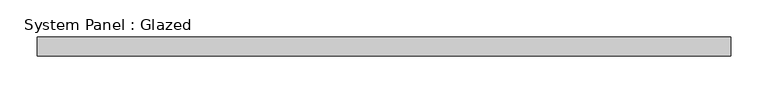
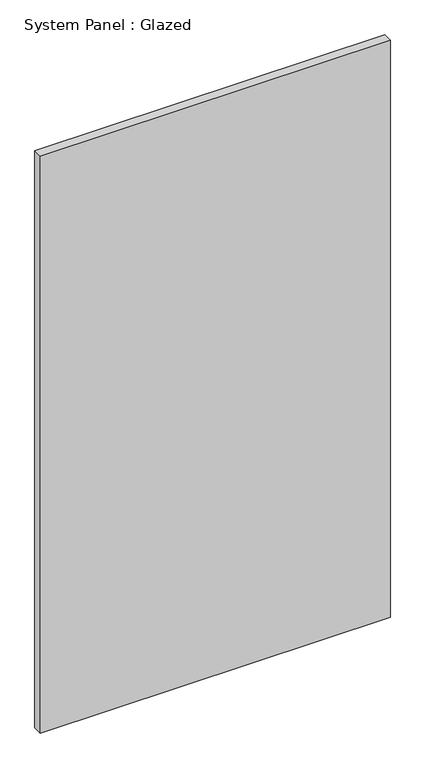
"""IFC4 building model written with IfcOpenShell, lengths in millimetres: plate geometry, System Panel : Glazed."""

import ifcopenshell
import ifcopenshell.guid

model = None  # the IFC model being written
_history = None  # IfcOwnerHistory: only IFC2X3 demands one
_inside = {}  # id of a spatial element -> (the spatial element, [elements in it])
_under = {}  # id of a project, library or spatial element -> (it, [spatial elements below it])
_declared = {}  # id of a project -> (the project, [libraries it declares])
_typed = {}  # id of a type object -> (the type object, [elements of that type])
_made_of = {}  # id of a material, layer set ... -> (it, [elements and type objects made of it])


def new_model(schema):
    """Start an empty IFC model of exactly this schema.

    Asked for "IFC4X3", IfcOpenShell would pick the latest addendum, in which some entities
    have other attributes; the version numbers below select the first issue.
    IFC2X3 requires an IfcOwnerHistory on every rooted entity: one is made here for all.
    """
    global model, _history
    if schema == "IFC4X3":
        model = ifcopenshell.file(schema_version=(4, 3, 0, 0))
    else:
        model = ifcopenshell.file(schema=schema)
    _inside.clear()
    _under.clear()
    _declared.clear()
    _typed.clear()
    _made_of.clear()
    _history = None
    if model.schema == "IFC2X3":
        org = make("IfcOrganization", Name="unknown")
        user = make(
            "IfcPersonAndOrganization",
            ThePerson=make("IfcPerson", FamilyName="unknown"),
            TheOrganization=org,
        )
        app = make(
            "IfcApplication",
            ApplicationDeveloper=org,
            Version="unknown",
            ApplicationFullName="unknown",
            ApplicationIdentifier="unknown",
        )
        _history = make(
            "IfcOwnerHistory",
            OwningUser=user,
            OwningApplication=app,
            ChangeAction="ADDED",
            CreationDate=0,
        )
    return model


def make(cls, **values):
    """One entity of the class cls with the attributes given. An attribute that is None is left unset."""
    return model.create_entity(
        cls, **{name: value for name, value in values.items() if value is not None}
    )


def rooted(cls, **values):
    """An entity with a GlobalId (a new one), such as an element, a storey or a relation."""
    return make(cls, GlobalId=ifcopenshell.guid.new(), OwnerHistory=_history, **values)


def si_unit(unit_type, name, prefix=None):
    """IfcSIUnit, for example si_unit("LENGTHUNIT", "METRE", prefix="MILLI")."""
    return make("IfcSIUnit", UnitType=unit_type, Prefix=prefix, Name=name)


def assignment(units):
    """IfcUnitAssignment: the units of a project."""
    return None if units is None else make("IfcUnitAssignment", Units=units)


def point(xyz):
    """IfcCartesianPoint."""
    return None if xyz is None else make("IfcCartesianPoint", Coordinates=xyz)


def direction(xyz):
    """IfcDirection."""
    return None if xyz is None else make("IfcDirection", DirectionRatios=xyz)


def frame(location, z_axis=None, x_axis=None):
    """IfcAxis2Placement3D, a coordinate frame: its origin and axes. An axis left out is left unset."""
    return make(
        "IfcAxis2Placement3D",
        Location=point(location),
        Axis=direction(z_axis),
        RefDirection=direction(x_axis),
    )


def origin():
    """The frame at (0, 0, 0) with its axes left unset."""
    return frame((0.0, 0.0, 0.0))


def origin_with_axes():
    """The frame at (0, 0, 0) with the z axis (0, 0, 1) and the x axis (1, 0, 0) written out."""
    return frame((0.0, 0.0, 0.0), z_axis=(0.0, 0.0, 1.0), x_axis=(1.0, 0.0, 0.0))


def place(relative_to, where):
    """IfcLocalPlacement: puts the frame where relative to a parent placement (None: the world)."""
    return make(
        "IfcLocalPlacement", PlacementRelTo=relative_to, RelativePlacement=where
    )


def context(
    kind, dimensions, precision=None, world=None, true_north=None, identifier=None
):
    """IfcGeometricRepresentationContext, for example the 3D "Model" context."""
    return make(
        "IfcGeometricRepresentationContext",
        ContextIdentifier=identifier,
        ContextType=kind,
        CoordinateSpaceDimension=dimensions,
        Precision=precision,
        WorldCoordinateSystem=world,
        TrueNorth=true_north,
    )


def project(units=None, contexts=None):
    """IfcProject with its units and contexts."""
    return rooted(
        "IfcProject",
        Name="project",
        RepresentationContexts=contexts,
        UnitsInContext=assignment(units),
    )


def spatial(cls, under=None, at=None, **own):
    """A site, building, storey or space (cls), placed at a placement, below another one or the project."""
    s = rooted(cls, ObjectPlacement=at, **own)
    if under is not None:
        _under.setdefault(under.id(), (under, []))[1].append(s)
    return s


def polyline(points):
    """IfcPolyline through the points."""
    return make("IfcPolyline", Points=[point(p) for p in points])


def outline(outer, holes=None, kind="AREA"):
    """IfcArbitraryClosedProfileDef: a profile drawn as a closed curve; with holes, ...WithVoids."""
    if holes is None:
        return make("IfcArbitraryClosedProfileDef", ProfileType=kind, OuterCurve=outer)
    return make(
        "IfcArbitraryProfileDefWithVoids",
        ProfileType=kind,
        OuterCurve=outer,
        InnerCurves=holes,
    )


def extrude(swept, where, along, depth):
    """IfcExtrudedAreaSolid: the profile swept, set in the frame where, extruded along a direction by depth."""
    return make(
        "IfcExtrudedAreaSolid",
        SweptArea=swept,
        Position=where,
        ExtrudedDirection=direction(along),
        Depth=depth,
    )


def shape(context_of_items, identifier, shape_type, items):
    """IfcShapeRepresentation: the items that make up one representation, for example the "Body"."""
    return make(
        "IfcShapeRepresentation",
        ContextOfItems=context_of_items,
        RepresentationIdentifier=identifier,
        RepresentationType=shape_type,
        Items=items,
    )


def source(mapping_origin, context_of_items, identifier, shape_type, items):
    """IfcRepresentationMap: a shape defined once, which mapped items show again and again."""
    return make(
        "IfcRepresentationMap",
        MappingOrigin=mapping_origin,
        MappedRepresentation=shape(context_of_items, identifier, shape_type, items),
    )


def transform(
    local_origin,
    x_axis=None,
    y_axis=None,
    z_axis=None,
    scale=None,
    scale2=None,
    scale3=None,
    uniform=True,
):
    """IfcCartesianTransformationOperator3D, or its non-uniform kind. x_axis, y_axis, z_axis: its Axis1, 2, 3."""
    if uniform:
        return make(
            "IfcCartesianTransformationOperator3D",
            Axis1=direction(x_axis),
            Axis2=direction(y_axis),
            LocalOrigin=point(local_origin),
            Scale=scale,
            Axis3=direction(z_axis),
        )
    return make(
        "IfcCartesianTransformationOperator3DnonUniform",
        Axis1=direction(x_axis),
        Axis2=direction(y_axis),
        LocalOrigin=point(local_origin),
        Scale=scale,
        Axis3=direction(z_axis),
        Scale2=scale2,
        Scale3=scale3,
    )


def mapped(mapping_source, mapping_target):
    """IfcMappedItem: shows the shape of a source again, moved by a transform."""
    return make(
        "IfcMappedItem", MappingSource=mapping_source, MappingTarget=mapping_target
    )


def made_of(thing, what):
    """Note that an element or type object is made of a material, layer set ...; save() writes the relation."""
    if what is not None:
        _made_of.setdefault(what.id(), (what, []))[1].append(thing)
    return thing


def element(
    cls,
    number,
    at=None,
    inside=None,
    cuts=None,
    type_object=None,
    material=None,
    context=None,
    identifier="Body",
    shape_type=None,
    held_by="IfcProductDefinitionShape",
    body=None,
    shapes=None,
    **own,
):
    """One element of the class cls, such as IfcWall. Its Tag is "e" and its number.

    at: its placement. inside: the storey or other place that contains it. cuts: it is an
    opening in that element (IfcRelVoidsElement). A single representation is given by context,
    identifier, shape_type and body (its items); several are given by shapes. held_by: the class
    of the entity that holds the representations. save() writes the other relations.
    """
    e = rooted(cls, Tag="e%d" % number, ObjectPlacement=at, **own)
    if body is not None:
        shapes = [shape(context, identifier, shape_type, body)]
    if shapes is not None:
        e.Representation = make(held_by, Representations=shapes)
    if inside is not None:
        _inside.setdefault(inside.id(), (inside, []))[1].append(e)
    if cuts is not None:
        rooted(
            "IfcRelVoidsElement", RelatingBuildingElement=cuts, RelatedOpeningElement=e
        )
    if type_object is not None:
        _typed.setdefault(type_object.id(), (type_object, []))[1].append(e)
    return made_of(e, material)


def aggregate(whole, parts):
    """IfcRelAggregates: a whole, such as a stair, and the parts it consists of."""
    return rooted("IfcRelAggregates", RelatingObject=whole, RelatedObjects=parts)


def save(model, path):
    """Write the relations noted so far, then the file.

    IfcRelAggregates (storeys below a building ...), IfcRelContainedInSpatialStructure (elements
    in a storey), IfcRelDefinesByType, IfcRelAssociatesMaterial and IfcRelDeclares: one each for
    every whole, place, type object, material and project.
    """
    for whole, parts in _under.values():
        aggregate(whole, parts)
    for where, things in _inside.values():
        rooted(
            "IfcRelContainedInSpatialStructure",
            RelatedElements=things,
            RelatingStructure=where,
        )
    for kind, things in _typed.values():
        rooted("IfcRelDefinesByType", RelatedObjects=things, RelatingType=kind)
    for what, things in _made_of.values():
        rooted("IfcRelAssociatesMaterial", RelatedObjects=things, RelatingMaterial=what)
    for by, libraries in _declared.values():
        rooted("IfcRelDeclares", RelatingContext=by, RelatedDefinitions=libraries)
    model.write(path)


def system_panel_glazed_6dea72ad(model_context):
    return source(origin(), model_context, "Body", "SweptSolid", [
        extrude(outline(polyline([(466.725, -12.7), (-466.725, -12.7), (-466.725, 12.7), (466.725, 12.7), (466.725, -12.7)])), origin_with_axes(), (0.0, 0.0, 1.0), 1625.6),
    ])


if __name__ == "__main__":
    model = new_model("IFC4")
    model_context = context("Model", 3, world=origin())
    ifc_project = project(units=[si_unit("LENGTHUNIT", "METRE", prefix="MILLI")], contexts=[model_context])
    site = spatial("IfcSite", under=ifc_project)
    building = spatial("IfcBuilding", under=site)
    placement = place(None, origin())
    system_panel_glazed_shape = system_panel_glazed_6dea72ad(model_context)
    element("IfcPlate", 1, ObjectType="System Panel : Glazed", at=placement, inside=building, context=model_context, shape_type="MappedRepresentation", body=[
        mapped(system_panel_glazed_shape, transform((0.0, 0.0, 0.0), x_axis=(1.0, 0.0, 0.0), y_axis=(0.0, 1.0, 0.0), z_axis=(0.0, 0.0, 1.0))),
    ])
    save(model, "model.ifc")
